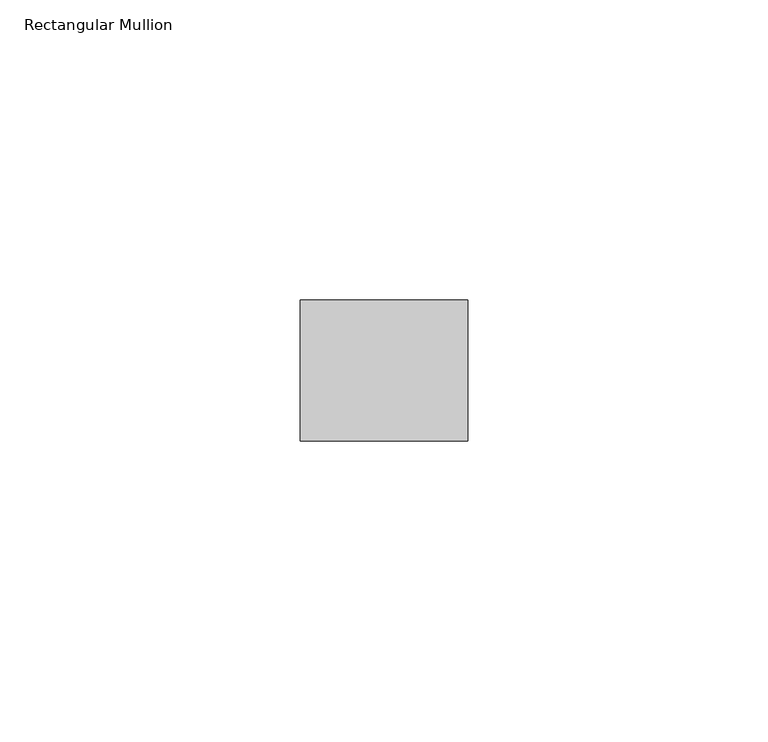
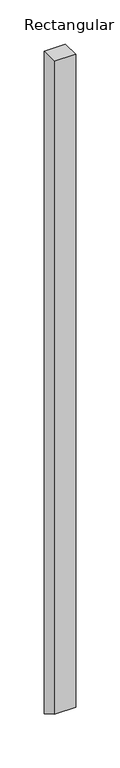
"""IFC4 building model written with IfcOpenShell, lengths in millimetres: member geometry, Rectangular Mullion."""

from ifc_helpers import new_model, si_unit, frame, origin, place, context, project, spatial, polyline, outline, extrude, source, transform, mapped, element, save


def rectangular_mullion_cc9e1539(model_context):
    return source(origin(), model_context, "Body", "SweptSolid", [
        extrude(outline(polyline([(-11.7474999, 0.0), (11.7474999, 0.0), (11.7474999, -919.0507221), (-11.7474999, -905.4858776), (-11.7474999, 0.0)])), frame((-27.94, 0.0, 0.0), z_axis=(1.0, 0.0, 0.0), x_axis=(0.0, 1.0, 0.0)), (0.0, 0.0, 1.0), 27.94),
    ])


if __name__ == "__main__":
    model = new_model("IFC4")
    model_context = context("Model", 3, world=origin())
    ifc_project = project(units=[si_unit("LENGTHUNIT", "METRE", prefix="MILLI")], contexts=[model_context])
    site = spatial("IfcSite", under=ifc_project)
    building = spatial("IfcBuilding", under=site)
    placement = place(None, origin())
    rectangular_mullion_shape = rectangular_mullion_cc9e1539(model_context)
    element("IfcMember", 1, ObjectType="Rectangular Mullion", at=placement, inside=building, context=model_context, shape_type="MappedRepresentation", body=[
        mapped(rectangular_mullion_shape, transform((0.0, 0.0, 0.0), x_axis=(1.0, 0.0, 0.0), y_axis=(0.0, 1.0, 0.0), z_axis=(0.0, 0.0, 1.0))),
    ])
    save(model, "model.ifc")
